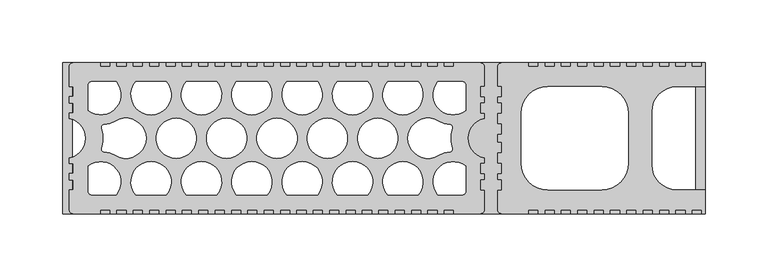
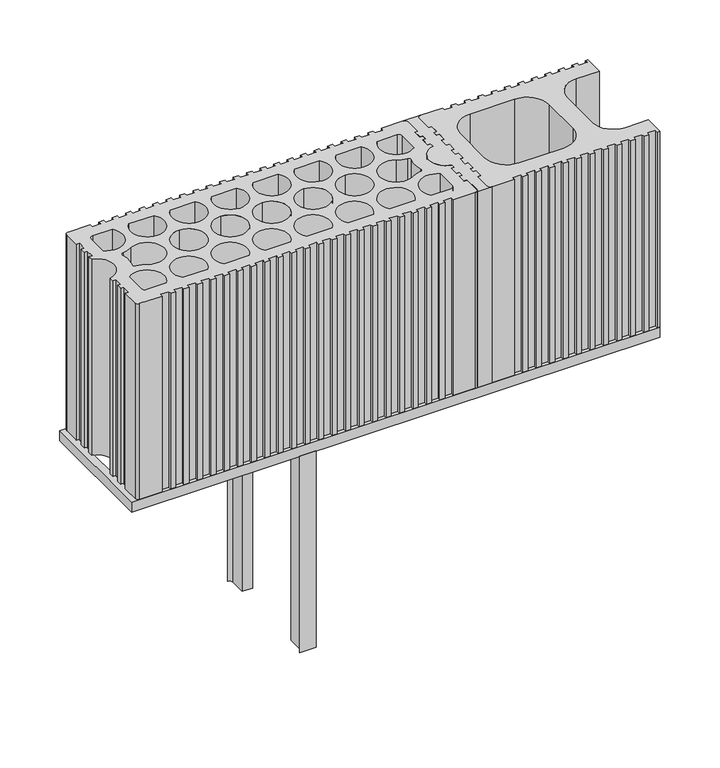
"""IFC4 building model written with IfcOpenShell, lengths in millimetres: plate geometry."""

from ifc_helpers import new_model, si_unit, point, frame, frame_2d, origin, place, context, project, spatial, polyline, circle_curve, trimmed, segment, composite_curve, outline, extrude, source, transform, mapped, element, save
from ifc_brep_helpers import plane_surface, cylinder_surface, revolved_surface, advanced_brep


def plate_d11289fc(model_context):
    return source(origin(), model_context, "Body", "SolidModel", [
        advanced_brep(
        [(79.9998381, 40.9999193, 410.0), (76.9998232, 40.9999193, 410.0), (76.9998232, 32.9999342, 410.0), (79.9998381, 32.9999342, 410.0), (79.9998381, 27.9999416, 410.0), (76.9998232, 27.9999416, 410.0), (76.9998232, 19.9999565, 410.0), (79.9998381, 19.9999565, 410.0), (79.9998381, 15.7162058, 410.0), (79.9998381, -15.7162058, 410.0), (79.9998381, -19.9999618, 410.0), (76.9998232, -19.9999618, 410.0), (76.9998232, -28.0000909, 410.0), (79.9998381, -28.0000909, 410.0), (79.9998381, -32.999934, 410.0), (76.9998232, -32.999934, 410.0), (76.9998232, -40.9999191, 410.0), (79.9998381, -40.9999191, 410.0), (79.9998381, -56.9998849, 410.0), (76.999886, -59.9998788, 410.0), (92.9997902, -59.9998788, 410.0), (89.9998381, -56.9998849, 410.0), (89.9998381, -40.9999191, 410.0), (92.999853, -40.9999191, 410.0), (92.999853, -32.999934, 410.0), (89.9998381, -32.999934, 410.0), (89.9998381, -27.9999433, 410.0), (92.999853, -27.9999433, 410.0), (92.999853, -19.9999618, 410.0), (89.9998381, -19.9999618, 410.0), (89.9998381, -11.5000363, 410.0), (92.9998478, -11.5000363, 410.0), (92.9998478, -3.5000128, 410.0), (89.9998381, -3.5000128, 410.0), (89.9998381, 3.5000128, 410.0), (92.9998478, 3.5000128, 410.0), (92.9998478, 11.50004, 410.0), (89.9998381, 11.50004, 410.0), (89.9998381, 19.9999565, 410.0), (92.999853, 19.9999565, 410.0), (92.999853, 27.9999416, 410.0), (89.9998381, 27.9999416, 410.0), (89.9998381, 32.9999342, 410.0), (92.999853, 32.9999342, 410.0), (92.999853, 40.9999193, 410.0), (89.9998381, 40.9999193, 410.0), (89.9998381, 56.9998822, 410.0), (92.9995324, 59.9998815, 410.0), (77.0001438, 59.9998815, 410.0), (79.9998381, 56.9998822, 410.0), (79.9998381, 40.9999193, 210.0), (79.9998381, 56.9998822, 210.0), (77.0001438, 59.9998815, 210.0), (92.9995324, 59.9998815, 210.0), (89.9998381, 56.9998822, 210.0), (89.9998381, 40.9999193, 210.0), (92.999853, 40.9999193, 210.0), (92.999853, 32.9999342, 210.0), (89.9998381, 32.9999342, 210.0), (89.9998381, 27.9999416, 210.0), (92.999853, 27.9999416, 210.0), (92.999853, 19.9999565, 210.0), (89.9998381, 19.9999565, 210.0), (89.9998381, 11.50004, 210.0), (92.9998478, 11.50004, 210.0), (92.9998478, 3.5000128, 210.0), (89.9998381, 3.5000128, 210.0), (89.9998381, -3.5000128, 210.0), (92.9998478, -3.5000128, 210.0), (92.9998478, -11.5000363, 210.0), (89.9998381, -11.5000363, 210.0), (89.9998381, -19.9999618, 210.0), (92.999853, -19.9999618, 210.0), (92.999853, -27.9999433, 210.0), (89.9998381, -27.9999433, 210.0), (89.9998381, -32.999934, 210.0), (92.999853, -32.999934, 210.0), (92.999853, -40.9999191, 210.0), (89.9998381, -40.9999191, 210.0), (89.9998381, -56.9998849, 210.0), (92.9997902, -59.9998788, 210.0), (76.999886, -59.9998788, 210.0), (79.9998381, -56.9998849, 210.0), (79.9998381, -40.9999191, 210.0), (76.9998232, -40.9999191, 210.0), (76.9998232, -32.999934, 210.0), (79.9998381, -32.999934, 210.0), (79.9998381, -28.0000909, 210.0), (76.9998232, -28.0000909, 210.0), (76.9998232, -19.9999618, 210.0), (79.9998381, -19.9999618, 210.0), (79.9998381, -15.7162058, 210.0), (79.9998381, 15.7162058, 210.0), (79.9998381, 19.9999565, 210.0), (76.9998232, 19.9999565, 210.0), (76.9998232, 27.9999416, 210.0), (79.9998381, 27.9999416, 210.0), (79.9998381, 32.9999342, 210.0), (76.9998232, 32.9999342, 210.0), (76.9998232, 40.9999193, 210.0)],
        [
            (0, 1),
            (1, 2),
            (2, 3),
            (3, 4),
            (4, 5),
            (5, 6),
            (6, 7),
            (7, 8),
            (8, 9, circle_curve(frame((82.9998206, 0.0, 410.0), z_axis=(0.0, 0.0, 1.0), x_axis=(0.0, 1.0, 0.0)), 15.9999693)),
            (9, 10),
            (10, 11),
            (11, 12),
            (12, 13),
            (13, 14),
            (14, 15),
            (15, 16),
            (16, 17),
            (17, 18),
            (18, 19, circle_curve(frame((77.0618703, -57.0619101, 410.0), z_axis=(0.0, 0.0, -1.0), x_axis=(0.0, 1.0, 0.0)), 2.9386225)),
            (19, 20),
            (20, 21, circle_curve(frame((92.9378059, -57.0619101, 410.0), z_axis=(0.0, 0.0, -1.0), x_axis=(0.0, 1.0, 0.0)), 2.9386225)),
            (21, 22),
            (22, 23),
            (23, 24),
            (24, 25),
            (25, 26),
            (26, 27),
            (27, 28),
            (28, 29),
            (29, 30),
            (30, 31),
            (31, 32),
            (32, 33),
            (33, 34),
            (34, 35),
            (35, 36),
            (36, 37),
            (37, 38),
            (38, 39),
            (39, 40),
            (40, 41),
            (41, 42),
            (42, 43),
            (43, 44),
            (44, 45),
            (45, 46),
            (46, 47, circle_curve(frame((92.9378059, 57.0619074, 410.0), z_axis=(0.0, 0.0, -1.0), x_axis=(0.0, 1.0, 0.0)), 2.9386225)),
            (47, 48),
            (48, 49, circle_curve(frame((77.0618703, 57.0619074, 410.0), z_axis=(0.0, 0.0, -1.0), x_axis=(0.0, 1.0, 0.0)), 2.9386225)),
            (49, 0),
            (50, 51),
            (51, 52, circle_curve(frame((77.0618703, 57.0619074, 210.0), z_axis=(0.0, 0.0, 1.0), x_axis=(0.0, 1.0, 0.0)), 2.9386225)),
            (52, 53),
            (53, 54, circle_curve(frame((92.9378059, 57.0619074, 210.0), z_axis=(0.0, 0.0, 1.0), x_axis=(0.0, 1.0, 0.0)), 2.9386225)),
            (54, 55),
            (55, 56),
            (56, 57),
            (57, 58),
            (58, 59),
            (59, 60),
            (60, 61),
            (61, 62),
            (62, 63),
            (63, 64),
            (64, 65),
            (65, 66),
            (66, 67),
            (67, 68),
            (68, 69),
            (69, 70),
            (70, 71),
            (71, 72),
            (72, 73),
            (73, 74),
            (74, 75),
            (75, 76),
            (76, 77),
            (77, 78),
            (78, 79),
            (79, 80, circle_curve(frame((92.9378059, -57.0619101, 210.0), z_axis=(0.0, 0.0, 1.0), x_axis=(0.0, 1.0, 0.0)), 2.9386225)),
            (80, 81),
            (81, 82, circle_curve(frame((77.0618703, -57.0619101, 210.0), z_axis=(0.0, 0.0, 1.0), x_axis=(0.0, 1.0, 0.0)), 2.9386225)),
            (82, 83),
            (83, 84),
            (84, 85),
            (85, 86),
            (86, 87),
            (87, 88),
            (88, 89),
            (89, 90),
            (90, 91),
            (91, 92, circle_curve(frame((82.9998206, 0.0, 210.0), z_axis=(0.0, 0.0, -1.0), x_axis=(0.0, 1.0, 0.0)), 15.9999693)),
            (92, 93),
            (93, 94),
            (94, 95),
            (95, 96),
            (96, 97),
            (97, 98),
            (98, 99),
            (99, 50),
            (49, 51),
            (50, 0),
            (47, 53),
            (52, 48),
            (45, 55),
            (54, 46),
            (21, 79),
            (78, 22),
            (19, 81),
            (80, 20),
            (17, 83),
            (82, 18),
            (44, 56),
            (43, 57),
            (42, 58),
            (41, 59),
            (40, 60),
            (39, 61),
            (38, 62),
            (37, 63),
            (29, 71),
            (70, 30),
            (28, 72),
            (27, 73),
            (26, 74),
            (25, 75),
            (24, 76),
            (23, 77),
            (16, 84),
            (15, 85),
            (14, 86),
            (13, 87),
            (12, 88),
            (11, 89),
            (10, 90),
            (9, 91),
            (8, 92),
            (7, 93),
            (6, 94),
            (5, 95),
            (4, 96),
            (3, 97),
            (2, 98),
            (1, 99),
            (36, 64),
            (35, 65),
            (34, 66),
            (33, 67),
            (32, 68),
            (31, 69),
        ],
        [
            plane_surface(frame((79.9998381, 40.9999193, 410.0), z_axis=(0.0, 0.0, 1.0), x_axis=(-1.0, 0.0, 0.0))),
            plane_surface(frame((79.9998381, 40.9999193, 210.0), z_axis=(0.0, 0.0, -1.0), x_axis=(1.0, 0.0, 0.0))),
            plane_surface(frame((79.9998381, 56.9998822, 410.0), z_axis=(-1.0, 0.0, 0.0), x_axis=(0.0, 0.0, -1.0))),
            plane_surface(frame((92.9995324, 59.9998815, 410.0), z_axis=(0.0, 1.0, 0.0), x_axis=(0.0, 0.0, -1.0))),
            plane_surface(frame((89.9998381, 40.9999193, 410.0), z_axis=(1.0, 0.0, 0.0), x_axis=(0.0, 0.0, -1.0))),
            plane_surface(frame((89.9998381, -56.9998849, 410.0), z_axis=(1.0, 0.0, 0.0), x_axis=(0.0, 0.0, -1.0))),
            plane_surface(frame((76.999886, -59.9998788, 410.0), z_axis=(0.0, -1.0, 0.0), x_axis=(0.0, 0.0, -1.0))),
            plane_surface(frame((79.9998381, -40.9999191, 410.0), z_axis=(-1.0, 0.0, 0.0), x_axis=(0.0, 0.0, -1.0))),
            revolved_surface(polyline([(77.0618703, 60.000529900000004, 210.0), (77.0618703, 60.000529900000004, 410.0)]), (77.0618703, 57.0619074, 210.0), (0.0, 0.0, -1.0)),
            revolved_surface(polyline([(92.9378059, 60.000529900000004, 210.0), (92.9378059, 60.000529900000004, 410.0)]), (92.9378059, 57.0619074, 210.0), (0.0, 0.0, -1.0)),
            revolved_surface(polyline([(92.9378059, -54.1232876, 210.0), (92.9378059, -54.1232876, 410.0)]), (92.9378059, -57.0619101, 210.0), (0.0, 0.0, -1.0)),
            revolved_surface(polyline([(77.0618703, -54.1232876, 210.0), (77.0618703, -54.1232876, 410.0)]), (77.0618703, -57.0619101, 210.0), (0.0, 0.0, -1.0)),
            plane_surface(frame((92.999853, 40.9999193, 410.0), z_axis=(0.0, 1.0, 0.0), x_axis=(0.0, 0.0, -1.0))),
            plane_surface(frame((92.999853, 32.9999342, 410.0), z_axis=(1.0, 0.0, 0.0), x_axis=(0.0, 0.0, -1.0))),
            plane_surface(frame((89.9998381, 32.9999342, 410.0), z_axis=(0.0, -1.0, 0.0), x_axis=(0.0, 0.0, -1.0))),
            plane_surface(frame((89.9998381, 27.9999416, 410.0), z_axis=(1.0, 0.0, 0.0), x_axis=(0.0, 0.0, -1.0))),
            plane_surface(frame((92.999853, 27.9999416, 410.0), z_axis=(0.0, 1.0, 0.0), x_axis=(0.0, 0.0, -1.0))),
            plane_surface(frame((92.999853, 19.9999565, 410.0), z_axis=(1.0, 0.0, 0.0), x_axis=(0.0, 0.0, -1.0))),
            plane_surface(frame((89.9998381, 19.9999565, 410.0), z_axis=(0.0, -1.0, 0.0), x_axis=(0.0, 0.0, -1.0))),
            plane_surface(frame((89.9998381, 11.50004, 410.0), z_axis=(1.0, 0.0, 0.0), x_axis=(0.0, 0.0, -1.0))),
            plane_surface(frame((89.9998381, -19.9999618, 410.0), z_axis=(1.0, 0.0, 0.0), x_axis=(0.0, 0.0, -1.0))),
            plane_surface(frame((92.999853, -19.9999618, 410.0), z_axis=(0.0, 1.0, 0.0), x_axis=(0.0, 0.0, -1.0))),
            plane_surface(frame((92.999853, -27.9999433, 410.0), z_axis=(1.0, 0.0, 0.0), x_axis=(0.0, 0.0, -1.0))),
            plane_surface(frame((89.9998381, -27.9999433, 410.0), z_axis=(0.0, -1.0, 0.0), x_axis=(0.0, 0.0, -1.0))),
            plane_surface(frame((89.9998381, -32.999934, 410.0), z_axis=(1.0, 0.0, 0.0), x_axis=(0.0, 0.0, -1.0))),
            plane_surface(frame((92.999853, -32.999934, 410.0), z_axis=(0.0, 1.0, 0.0), x_axis=(0.0, 0.0, -1.0))),
            plane_surface(frame((92.999853, -40.9999191, 410.0), z_axis=(1.0, 0.0, 0.0), x_axis=(0.0, 0.0, -1.0))),
            plane_surface(frame((89.9998381, -40.9999191, 410.0), z_axis=(0.0, -1.0, 0.0), x_axis=(0.0, 0.0, -1.0))),
            plane_surface(frame((76.9998232, -40.9999191, 410.0), z_axis=(0.0, -1.0, 0.0), x_axis=(0.0, 0.0, -1.0))),
            plane_surface(frame((76.9998232, -32.999934, 410.0), z_axis=(-1.0, 0.0, 0.0), x_axis=(0.0, 0.0, -1.0))),
            plane_surface(frame((79.9998381, -32.999934, 410.0), z_axis=(0.0, 1.0, 0.0), x_axis=(0.0, 0.0, -1.0))),
            plane_surface(frame((79.9998381, -28.0000909, 410.0), z_axis=(-1.0, 0.0, 0.0), x_axis=(0.0, 0.0, -1.0))),
            plane_surface(frame((76.9998232, -28.0000909, 410.0), z_axis=(0.0, -1.0, 0.0), x_axis=(0.0, 0.0, -1.0))),
            plane_surface(frame((76.9998232, -19.9999618, 410.0), z_axis=(-1.0, 0.0, 0.0), x_axis=(0.0, 0.0, -1.0))),
            plane_surface(frame((79.9998381, -19.9999618, 410.0), z_axis=(0.0, 1.0, 0.0), x_axis=(0.0, 0.0, -1.0))),
            plane_surface(frame((79.9998381, -15.7162058, 410.0), z_axis=(-1.0, 0.0, 0.0), x_axis=(0.0, 0.0, -1.0))),
            cylinder_surface(frame((82.9998206, 0.0, 210.0), z_axis=(0.0, 0.0, 1.0), x_axis=(0.0, 1.0, 0.0)), 15.9999693),
            plane_surface(frame((79.9998381, 19.9999565, 410.0), z_axis=(-1.0, 0.0, 0.0), x_axis=(0.0, 0.0, -1.0))),
            plane_surface(frame((76.9998232, 19.9999565, 410.0), z_axis=(0.0, -1.0, 0.0), x_axis=(0.0, 0.0, -1.0))),
            plane_surface(frame((76.9998232, 27.9999416, 410.0), z_axis=(-1.0, 0.0, 0.0), x_axis=(0.0, 0.0, -1.0))),
            plane_surface(frame((79.9998381, 27.9999416, 410.0), z_axis=(0.0, 1.0, 0.0), x_axis=(0.0, 0.0, -1.0))),
            plane_surface(frame((79.9998381, 32.9999342, 410.0), z_axis=(-1.0, 0.0, 0.0), x_axis=(0.0, 0.0, -1.0))),
            plane_surface(frame((76.9998232, 32.9999342, 410.0), z_axis=(0.0, -1.0, 0.0), x_axis=(0.0, 0.0, -1.0))),
            plane_surface(frame((76.9998232, 40.9999193, 410.0), z_axis=(-1.0, 0.0, 0.0), x_axis=(0.0, 0.0, -1.0))),
            plane_surface(frame((79.9998381, 40.9999193, 410.0), z_axis=(0.0, 1.0, 0.0), x_axis=(0.0, 0.0, -1.0))),
            plane_surface(frame((92.9998478, 11.50004, 410.0), z_axis=(0.0, 1.0, 0.0), x_axis=(0.0, 0.0, -1.0))),
            plane_surface(frame((92.9998478, 3.5000128, 410.0), z_axis=(1.0, 0.0, 0.0), x_axis=(0.0, 0.0, -1.0))),
            plane_surface(frame((89.9998381, 3.5000128, 410.0), z_axis=(0.0, -1.0, 0.0), x_axis=(0.0, 0.0, -1.0))),
            plane_surface(frame((89.9998381, -3.5000128, 410.0), z_axis=(1.0, 0.0, 0.0), x_axis=(0.0, 0.0, -1.0))),
            plane_surface(frame((92.9998478, -3.5000128, 410.0), z_axis=(0.0, 1.0, 0.0), x_axis=(0.0, 0.0, -1.0))),
            plane_surface(frame((92.9998478, -11.5000363, 410.0), z_axis=(1.0, 0.0, 0.0), x_axis=(0.0, 0.0, -1.0))),
            plane_surface(frame((89.9998381, -11.5000363, 410.0), z_axis=(0.0, -1.0, 0.0), x_axis=(0.0, 0.0, -1.0))),
        ],
        [
            (0, [[1, 2, 3, 4, 5, 6, 7, 8, 9, 10, 11, 12, 13, 14, 15, 16, 17, 18, 19, 20, 21, 22, 23, 24, 25, 26, 27, 28, 29, 30, 31, 32, 33, 34, 35, 36, 37, 38, 39, 40, 41, 42, 43, 44, 45, 46, 47, 48, 49, 50]]),
            (1, [[51, 52, 53, 54, 55, 56, 57, 58, 59, 60, 61, 62, 63, 64, 65, 66, 67, 68, 69, 70, 71, 72, 73, 74, 75, 76, 77, 78, 79, 80, 81, 82, 83, 84, 85, 86, 87, 88, 89, 90, 91, 92, 93, 94, 95, 96, 97, 98, 99, 100]]),
            (2, [[-50, 101, -51, 102]]),
            (3, [[-48, 103, -53, 104]]),
            (4, [[-46, 105, -55, 106]]),
            (5, [[-22, 107, -79, 108]]),
            (6, [[-20, 109, -81, 110]]),
            (7, [[-18, 111, -83, 112]]),
            (8, [[-49, -104, -52, -101]]),
            (9, [[-47, -106, -54, -103]]),
            (10, [[-21, -110, -80, -107]]),
            (11, [[-19, -112, -82, -109]]),
            (12, [[-45, 113, -56, -105]]),
            (13, [[-44, 114, -57, -113]]),
            (14, [[-43, 115, -58, -114]]),
            (15, [[-42, 116, -59, -115]]),
            (16, [[-41, 117, -60, -116]]),
            (17, [[-40, 118, -61, -117]]),
            (18, [[-39, 119, -62, -118]]),
            (19, [[-38, 120, -63, -119]]),
            (20, [[-30, 121, -71, 122]]),
            (21, [[-29, 123, -72, -121]]),
            (22, [[-28, 124, -73, -123]]),
            (23, [[-27, 125, -74, -124]]),
            (24, [[-26, 126, -75, -125]]),
            (25, [[-25, 127, -76, -126]]),
            (26, [[-24, 128, -77, -127]]),
            (27, [[-23, -108, -78, -128]]),
            (28, [[-17, 129, -84, -111]]),
            (29, [[-16, 130, -85, -129]]),
            (30, [[-15, 131, -86, -130]]),
            (31, [[-14, 132, -87, -131]]),
            (32, [[-13, 133, -88, -132]]),
            (33, [[-12, 134, -89, -133]]),
            (34, [[-11, 135, -90, -134]]),
            (35, [[-10, 136, -91, -135]]),
            (36, [[-9, 137, -92, -136]]),
            (37, [[-8, 138, -93, -137]]),
            (38, [[-7, 139, -94, -138]]),
            (39, [[-6, 140, -95, -139]]),
            (40, [[-5, 141, -96, -140]]),
            (41, [[-4, 142, -97, -141]]),
            (42, [[-3, 143, -98, -142]]),
            (43, [[-2, 144, -99, -143]]),
            (44, [[-1, -102, -100, -144]]),
            (45, [[-37, 145, -64, -120]]),
            (46, [[-36, 146, -65, -145]]),
            (47, [[-35, 147, -66, -146]]),
            (48, [[-34, 148, -67, -147]]),
            (49, [[-33, 149, -68, -148]]),
            (50, [[-32, 150, -69, -149]]),
            (51, [[-31, -122, -70, -150]]),
        ],
    ),
        advanced_brep(
        [(-89.9998399, -40.9999178, 200.0), (-89.9998399, -56.9998835, 200.0), (-92.9997277, -59.9998788, 200.0), (-76.9999521, -59.9998788, 200.0), (-79.9998399, -56.9998835, 200.0), (-79.9998399, -40.9999178, 200.0), (-89.9998399, -40.9999178, 0.0), (-79.9998399, -40.9999178, 0.0), (-79.9998399, -56.9998835, 0.0), (-76.9999521, -59.9998788, 0.0), (-92.9997277, -59.9998788, 0.0), (-89.9998399, -56.9998835, 0.0)],
        [
            (0, 1),
            (1, 2, circle_curve(frame((-92.9378077, -57.0619088, 200.0), z_axis=(0.0, 0.0, -1.0), x_axis=(1.0, 0.0, 0.0)), 2.9386225)),
            (2, 3),
            (3, 4, circle_curve(frame((-77.0618721, -57.0619088, 200.0), z_axis=(0.0, 0.0, -1.0), x_axis=(1.0, 0.0, 0.0)), 2.9386225)),
            (4, 5),
            (5, 0),
            (6, 7),
            (7, 8),
            (8, 9, circle_curve(frame((-77.0618721, -57.0619088, 0.0), z_axis=(0.0, 0.0, 1.0), x_axis=(1.0, 0.0, 0.0)), 2.9386225)),
            (9, 10),
            (10, 11, circle_curve(frame((-92.9378077, -57.0619088, 0.0), z_axis=(0.0, 0.0, 1.0), x_axis=(1.0, 0.0, 0.0)), 2.9386225)),
            (11, 6),
            (0, 6),
            (11, 1),
            (10, 2),
            (9, 3),
            (8, 4),
            (7, 5),
        ],
        [
            plane_surface(frame((-89.9998399, -56.9998835, 200.0), z_axis=(0.0, 0.0, 1.0), x_axis=(0.0, -1.0, 0.0))),
            plane_surface(frame((-89.9998399, -56.9998835, 0.0), z_axis=(0.0, 0.0, -1.0), x_axis=(0.0, 1.0, 0.0))),
            plane_surface(frame((-89.9998399, -40.9999178, 200.0), z_axis=(-1.0, 0.0, 0.0), x_axis=(0.0, 0.0, -1.0))),
            revolved_surface(polyline([(-89.9991852, -57.0619088, 0.0), (-89.9991852, -57.0619088, 200.0)]), (-92.9378077, -57.0619088, 0.0), (0.0, 0.0, -1.0)),
            plane_surface(frame((-92.9997277, -59.9998788, 200.0), z_axis=(0.0, -1.0, 0.0), x_axis=(0.0, 0.0, -1.0))),
            revolved_surface(polyline([(-74.12324960000001, -57.0619088, 0.0), (-74.12324960000001, -57.0619088, 200.0)]), (-77.0618721, -57.0619088, 0.0), (0.0, 0.0, -1.0)),
            plane_surface(frame((-79.9998399, -56.9998835, 200.0), z_axis=(1.0, 0.0, 0.0), x_axis=(0.0, 0.0, -1.0))),
            plane_surface(frame((-79.9998399, -40.9999178, 200.0), z_axis=(0.0, 1.0, 0.0), x_axis=(0.0, 0.0, -1.0))),
        ],
        [
            (0, [[1, 2, 3, 4, 5, 6]]),
            (1, [[7, 8, 9, 10, 11, 12]]),
            (2, [[-1, 13, -12, 14]]),
            (3, [[-2, -14, -11, 15]]),
            (4, [[-3, -15, -10, 16]]),
            (5, [[-4, -16, -9, 17]]),
            (6, [[-5, -17, -8, 18]]),
            (7, [[-6, -18, -7, -13]]),
        ],
    ),
        advanced_brep(
        [(-79.9998399, 40.9999207, 200.0), (-79.9998399, 56.9998835, 200.0), (-76.999825, 59.9998761, 200.0), (-92.9998548, 59.9998761, 200.0), (-89.9998399, 56.9998835, 200.0), (-89.9998399, 40.9999207, 200.0), (-79.9998399, 40.9999207, 0.0), (-89.9998399, 40.9999207, 0.0), (-89.9998399, 56.9998835, 0.0), (-92.9998548, 59.9998761, 0.0), (-76.999825, 59.9998761, 0.0), (-79.9998399, 56.9998835, 0.0)],
        [
            (0, 1),
            (1, 2, circle_curve(frame((-77.0618721, 57.0619088, 200.0), z_axis=(0.0, 0.0, -1.0), x_axis=(1.0, 0.0, 0.0)), 2.9386225)),
            (2, 3),
            (3, 4, circle_curve(frame((-92.9378077, 57.0619088, 200.0), z_axis=(0.0, 0.0, -1.0), x_axis=(1.0, 0.0, 0.0)), 2.9386225)),
            (4, 5),
            (5, 0),
            (6, 7),
            (7, 8),
            (8, 9, circle_curve(frame((-92.9378077, 57.0619088, 0.0), z_axis=(0.0, 0.0, 1.0), x_axis=(1.0, 0.0, 0.0)), 2.9386225)),
            (9, 10),
            (10, 11, circle_curve(frame((-77.0618721, 57.0619088, 0.0), z_axis=(0.0, 0.0, 1.0), x_axis=(1.0, 0.0, 0.0)), 2.9386225)),
            (11, 6),
            (0, 6),
            (11, 1),
            (10, 2),
            (9, 3),
            (8, 4),
            (7, 5),
        ],
        [
            plane_surface(frame((-89.9998399, -56.9998835, 200.0), z_axis=(0.0, 0.0, 1.0), x_axis=(0.0, -1.0, 0.0))),
            plane_surface(frame((-89.9998399, -56.9998835, 0.0), z_axis=(0.0, 0.0, -1.0), x_axis=(0.0, 1.0, 0.0))),
            plane_surface(frame((-79.9998399, 40.9999207, 200.0), z_axis=(1.0, 0.0, 0.0), x_axis=(0.0, 0.0, -1.0))),
            revolved_surface(polyline([(-74.12324960000001, 57.0619088, 0.0), (-74.12324960000001, 57.0619088, 200.0)]), (-77.0618721, 57.0619088, 0.0), (0.0, 0.0, -1.0)),
            plane_surface(frame((-76.999825, 59.9998761, 200.0), z_axis=(0.0, 1.0, 0.0), x_axis=(0.0, 0.0, -1.0))),
            revolved_surface(polyline([(-89.9991852, 57.0619088, 0.0), (-89.9991852, 57.0619088, 200.0)]), (-92.9378077, 57.0619088, 0.0), (0.0, 0.0, -1.0)),
            plane_surface(frame((-89.9998399, 56.9998835, 200.0), z_axis=(-1.0, 0.0, 0.0), x_axis=(0.0, 0.0, -1.0))),
            plane_surface(frame((-89.9998399, 40.9999207, 200.0), z_axis=(0.0, -1.0, 0.0), x_axis=(0.0, 0.0, -1.0))),
        ],
        [
            (0, [[1, 2, 3, 4, 5, 6]]),
            (1, [[7, 8, 9, 10, 11, 12]]),
            (2, [[-1, 13, -12, 14]]),
            (3, [[-2, -14, -11, 15]]),
            (4, [[-3, -15, -10, 16]]),
            (5, [[-4, -16, -9, 17]]),
            (6, [[-5, -17, -8, 18]]),
            (7, [[-6, -18, -7, -13]]),
        ],
    ),
        extrude(outline(polyline([(-254.9995197, 59.9998801), (254.9995197, 59.9998801), (254.9995197, -59.9998788), (-254.9995197, -59.9998788), (-254.9995197, 59.9998801)]), holes=[polyline([(247.1934492, 44.9999121), (-247.1934394, 44.9999121), (-247.1934394, -44.9999108), (247.1934492, -44.9999108), (247.1934492, 44.9999121)])]), frame((0.0, 0.0, 200.0), z_axis=(0.0, 0.0, 1.0), x_axis=(1.0, 0.0, 0.0)), (0.0, 0.0, 1.0), 10.0),
        extrude(outline(composite_curve([segment(polyline([(114.4999184, -60.0001945), (92.9998496, -60.0001945)]), True, "CONTINUOUS"), segment(trimmed(circle_curve(frame_2d((92.9998496, -57.0001848)), 3.0000097), [point((92.9998496, -60.0001945))], [point((89.9998399, -57.0001848))], False, "CARTESIAN"), True, "CONTINUOUS"), segment(polyline([(89.9998399, -57.0001848), (89.9998399, -41.0001337), (92.9998496, -41.0001337), (92.9998496, -33.0001065), (89.9998399, -33.0001065), (89.9998399, -28.0000895), (92.9998496, -28.0000895), (92.9998496, -20.0000661), (89.9998399, -20.0000661), (89.9998399, -11.5000363), (92.9998496, -11.5000363), (92.9998496, -3.5000128), (89.9998399, -3.5000128), (89.9998399, 3.5000128), (92.9998496, 3.5000128), (92.9998496, 11.50004), (89.9998399, 11.50004), (89.9998399, 20.0000623), (92.9998496, 20.0000623), (92.9998496, 28.0000895), (89.9998399, 28.0000895), (89.9998399, 33.0001084), (92.9998496, 33.0001084), (92.9998496, 41.0001355), (89.9998399, 41.0001355), (89.9998399, 57.0001856)]), True, "CONTINUOUS"), segment(trimmed(circle_curve(frame_2d((92.999845, 57.0001856)), 3.0000051), [point((89.9998399, 57.0001856))], [point((92.999845, 60.0001907))], False, "CARTESIAN"), True, "CONTINUOUS"), segment(polyline([(92.999845, 60.0001907), (114.4999184, 60.0001907), (114.4999184, 57.000181), (122.4999437, 57.000181), (122.4999437, 60.0001907), (127.4999626, 60.0001907), (127.4999626, 57.000181), (135.499986, 57.000181), (135.499986, 60.0001907), (140.5000049, 60.0001907), (140.5000049, 57.000181), (148.5000283, 57.000181), (148.5000283, 60.0001907), (153.5000472, 60.0001907), (153.5000472, 57.000181), (161.5000743, 57.000181), (161.5000743, 60.0001907), (166.5000857, 60.0001907), (166.5000857, 57.000181), (174.5001129, 57.000181), (174.5001129, 60.0001907), (179.5001317, 60.0001907), (179.5001317, 57.000181), (187.5001515, 57.000181), (187.5001515, 60.0001907), (192.5001703, 60.0001907), (192.5001703, 57.000181), (200.5001975, 57.000181), (200.5001975, 60.0001907), (205.5002163, 60.0001907), (205.5002163, 57.000181), (213.500236, 57.000181), (213.500236, 60.0001907), (218.5002549, 60.0001907), (218.5002549, 57.000181), (226.5002821, 57.000181), (226.5002821, 60.0001907), (231.5002935, 60.0001907), (231.5002935, 57.000181), (239.5003206, 57.000181), (239.5003206, 60.0001907), (244.500332, 60.0001907), (244.500332, 57.000181), (252.5003592, 57.000181), (252.5003592, 60.0001907), (255.0003723, 60.0001907), (255.0003723, 41.0001907), (232.5002648, 41.0001907)]), True, "CONTINUOUS"), segment(trimmed(circle_curve(frame_2d((232.5002648, 21.000126)), 20.0000648), [point((232.5002648, 41.0001907))], [point((212.5002, 21.000126))], True, "CARTESIAN"), True, "CONTINUOUS"), segment(polyline([(212.5002, 21.000126), (212.5002, -21.0001297)]), True, "CONTINUOUS"), segment(trimmed(circle_curve(frame_2d((232.5002648, -21.0001297)), 20.0000648), [point((212.5002, -21.0001297))], [point((232.5002648, -41.0001945))], True, "CARTESIAN"), True, "CONTINUOUS"), segment(polyline([(232.5002648, -41.0001945), (255.0003761, -41.0001945), (255.0003761, -60.0001945), (252.5003592, -60.0001945), (252.5003592, -57.0001847), (244.500332, -57.0001847), (244.500332, -60.0001945), (239.5003206, -60.0001945), (239.5003206, -57.0001847), (231.5002935, -57.0001847), (231.5002935, -60.0001945), (226.5002821, -60.0001945), (226.5002821, -57.0001847), (218.5002549, -57.0001847), (218.5002549, -60.0001945), (213.500236, -60.0001945), (213.500236, -57.0001847), (205.5002163, -57.0001847), (205.5002163, -60.0001945), (200.5001975, -60.0001945), (200.5001975, -57.0001847), (192.5001703, -57.0001847), (192.5001703, -60.0001945), (187.5001515, -60.0001945), (187.5001515, -57.0001847), (179.5001317, -57.0001847), (179.5001317, -60.0001945), (174.5001129, -60.0001945), (174.5001129, -57.0001847), (166.5000857, -57.0001847), (166.5000857, -60.0001945), (161.5000743, -60.0001945), (161.5000743, -57.0001847), (153.5000472, -57.0001847), (153.5000472, -60.0001945), (148.5000283, -60.0001945), (148.5000283, -57.0001847), (140.5000049, -57.0001847), (140.5000049, -60.0001945), (135.499986, -60.0001945), (135.499986, -57.0001847), (127.4999626, -57.0001847), (127.4999626, -60.0001945), (122.4999437, -60.0001945), (122.4999437, -57.0001847), (114.4999184, -57.0001847), (114.4999184, -60.0001945)]), True, "CONTINUOUS")], self_intersect=False), holes=[composite_curve([segment(trimmed(circle_curve(frame_2d((129.9998399, -20.0001945)), 21.0), [point((108.9998399, -20.0001945))], [point((129.9998399, -41.0001945))], True, "CARTESIAN"), True, "CONTINUOUS"), segment(polyline([(129.9998399, -41.0001945), (173.000192, -41.0001945)]), True, "CONTINUOUS"), segment(trimmed(circle_curve(frame_2d((173.000192, -20.0001945)), 21.0), [point((173.000192, -41.0001945))], [point((194.000192, -20.0001945))], True, "CARTESIAN"), True, "CONTINUOUS"), segment(polyline([(194.000192, -20.0001945), (194.000192, 20.0001907)]), True, "CONTINUOUS"), segment(trimmed(circle_curve(frame_2d((173.000192, 20.0001907)), 21.0), [point((194.000192, 20.0001907))], [point((173.000192, 41.0001907))], True, "CARTESIAN"), True, "CONTINUOUS"), segment(polyline([(173.000192, 41.0001907), (129.9998399, 41.0001907)]), True, "CONTINUOUS"), segment(trimmed(circle_curve(frame_2d((129.9998399, 20.0001907)), 21.0), [point((129.9998399, 41.0001907))], [point((108.9998399, 20.0001907))], True, "CARTESIAN"), True, "CONTINUOUS"), segment(polyline([(108.9998399, 20.0001907), (108.9998399, -20.0001945)]), True, "CONTINUOUS")], self_intersect=False)]), frame((0.0, 0.0, 210.0), z_axis=(0.0, 0.0, 1.0), x_axis=(1.0, 0.0, 0.0)), (0.0, 0.0, 1.0), 200.0),
        extrude(outline(composite_curve([segment(trimmed(circle_curve(frame_2d((-247.0615536, -57.0619101)), 2.9386225), [point((-246.9996337, -59.9998801))], [point((-249.9995215, -56.9998849))], False, "CARTESIAN"), True, "CONTINUOUS"), segment(polyline([(-249.9995215, -56.9998849), (-249.9995215, -40.9999191), (-246.9995065, -40.9999191), (-246.9995065, -32.999934), (-249.9995215, -32.999934), (-249.9995215, -28.0000909), (-246.9995065, -28.0000909), (-246.9995065, -19.9999618), (-249.9995215, -19.9999618), (-249.9995215, -15.7162058)]), True, "CONTINUOUS"), segment(trimmed(circle_curve(frame_2d((-252.9995039, 0.0)), 15.9999693), [point((-249.9995215, -15.7162058))], [point((-249.9995215, 15.7162058))], True, "CARTESIAN"), True, "CONTINUOUS"), segment(polyline([(-249.9995215, 15.7162058), (-249.9995215, 19.9999565), (-246.9995065, 19.9999565), (-246.9995065, 27.9999416), (-249.9995215, 27.9999416), (-249.9995215, 32.9999342), (-246.9995065, 32.9999342), (-246.9995065, 40.9999193), (-249.9995215, 40.9999193), (-249.9995215, 56.9998822)]), True, "CONTINUOUS"), segment(trimmed(circle_curve(frame_2d((-247.0615536, 57.0619074)), 2.9386225), [point((-249.9995215, 56.9998822))], [point((-246.9995065, 59.9998747))], False, "CARTESIAN"), True, "CONTINUOUS"), segment(polyline([(-246.9995065, 59.9998747), (-225.4995585, 59.9998747), (-225.4995585, 56.9998862), (-217.4995752, 56.9998862), (-217.4995752, 59.9998801), (-212.4995826, 59.9998801), (-212.4995826, 56.9998862), (-204.4996012, 56.9998862), (-204.4996012, 59.9998801), (-199.4996086, 59.9998801), (-199.4996086, 56.9998862), (-191.4996272, 56.9998862), (-191.4996272, 59.9998801), (-186.4996346, 59.9998801), (-186.4996346, 56.9998862), (-178.4996495, 56.9998862), (-178.4996495, 59.9998801), (-173.4996643, 59.9998801), (-173.4996643, 56.9998862), (-165.4996792, 56.9998862), (-165.4996792, 59.9998801), (-160.4996866, 59.9998801), (-160.4996866, 56.9998862), (-152.4997089, 56.9998862), (-152.4997089, 59.9998801), (-147.4997163, 59.9998801), (-147.4997163, 56.9998862), (-139.4997312, 56.9998862), (-139.4997312, 59.9998801), (-134.4997386, 59.9998801), (-134.4997386, 56.9998862), (-126.4997609, 56.9998862), (-126.4997609, 59.9998801), (-121.4997683, 59.9998801), (-121.4997683, 56.9998862), (-113.4997831, 56.9998862), (-113.4997831, 59.9998801), (-108.499798, 59.9998801), (-108.499798, 56.9998862), (-100.4998129, 56.9998862), (-100.4998129, 59.9998801), (-95.4998277, 59.9998801), (-95.4998277, 56.9998862), (-87.4998426, 56.9998862), (-87.4998426, 59.9998801), (-82.4998426, 59.9998801), (-82.4998426, 56.9998862), (-74.4998574, 56.9998862), (-74.4998574, 59.9998801), (-69.4998723, 59.9998801), (-69.4998723, 56.9998862), (-61.4998871, 56.9998862), (-61.4998871, 59.9998801), (-56.499902, 59.9998801), (-56.499902, 56.9998862), (-48.4999168, 56.9998862), (-48.4999168, 59.9998801), (-43.4999317, 59.9998801), (-43.4999317, 56.9998862), (-35.4999466, 56.9998862), (-35.4999466, 59.9998801), (-30.4999465, 59.9998801), (-30.4999465, 56.9998862), (-22.4999614, 56.9998862), (-22.4999614, 59.9998801), (-17.4999763, 59.9998801), (-17.4999763, 56.9998862), (-9.4999911, 56.9998862), (-9.4999911, 59.9998801), (-4.500006, 59.9998801), (-4.500006, 56.9998862), (3.4999941, 56.9998862), (3.4999941, 59.9998801), (8.4999792, 59.9998801), (8.4999792, 56.9998862), (16.4999495, 56.9998862), (16.4999495, 59.9998801), (21.4999346, 59.9998801), (21.4999346, 56.9998862), (29.4999346, 56.9998862), (29.4999346, 59.9998801), (34.4999198, 59.9998801), (34.4999198, 56.9998862), (42.49989, 56.9998862), (42.49989, 59.9998801), (47.499905, 59.9998801), (47.499905, 56.9998862), (55.4998752, 56.9998862), (55.4998752, 59.9998747), (76.9998232, 59.9998747)]), True, "CONTINUOUS"), segment(trimmed(circle_curve(frame_2d((77.0618703, 57.0619074)), 2.9386225), [point((76.9998232, 59.9998747))], [point((79.9998381, 56.9998822))], False, "CARTESIAN"), True, "CONTINUOUS"), segment(polyline([(79.9998381, 56.9998822), (79.9998381, 40.9999193), (76.9998232, 40.9999193), (76.9998232, 32.9999342), (79.9998381, 32.9999342), (79.9998381, 27.9999416), (76.9998232, 27.9999416), (76.9998232, 19.9999565), (79.9998381, 19.9999565), (79.9998381, 15.7162058)]), True, "CONTINUOUS"), segment(trimmed(circle_curve(frame_2d((82.9998206, 0.0)), 15.9999693), [point((79.9998381, 15.7162058))], [point((79.9998381, -15.7162058))], True, "CARTESIAN"), True, "CONTINUOUS"), segment(polyline([(79.9998381, -15.7162058), (79.9998381, -19.9999618), (76.9998232, -19.9999618), (76.9998232, -27.9999433), (79.9998381, -27.9999433), (79.9998381, -32.999934), (76.9998232, -32.999934), (76.9998232, -40.9999191), (79.9998381, -40.9999191), (79.9998381, -56.9998849)]), True, "CONTINUOUS"), segment(trimmed(circle_curve(frame_2d((77.0618703, -57.0619101)), 2.9386225), [point((79.9998381, -56.9998849))], [point((76.9999503, -59.9998801))], False, "CARTESIAN"), True, "CONTINUOUS"), segment(polyline([(76.9999503, -59.9998801), (55.4998752, -59.9998801), (55.4998752, -56.9998862), (47.499905, -56.9998862), (47.499905, -59.9998801), (42.49989, -59.9998801), (42.49989, -56.9998862), (34.4999198, -56.9998862), (34.4999198, -59.9998801), (29.4999346, -59.9998801), (29.4999346, -56.9998862), (21.4999346, -56.9998862), (21.4999346, -59.9998801), (16.4999495, -59.9998801), (16.4999495, -56.9998862), (8.4999792, -56.9998862), (8.4999792, -59.9998801), (3.4999941, -59.9998801), (3.4999941, -56.9998862), (-4.500006, -56.9998862), (-4.500006, -59.9998801), (-9.4999911, -59.9998801), (-9.4999911, -56.9998862), (-17.4999763, -56.9998862), (-17.4999763, -59.9998801), (-22.4999614, -59.9998801), (-22.4999614, -56.9998862), (-30.4999465, -56.9998862), (-30.4999465, -59.9998801), (-35.4999466, -59.9998801), (-35.4999466, -56.9998862), (-43.4999317, -56.9998862), (-43.4999317, -59.9998801), (-48.4999168, -59.9998801), (-48.4999168, -56.9998862), (-56.499902, -56.9998862), (-56.499902, -59.9998801), (-61.4998871, -59.9998801), (-61.4998871, -56.9998862), (-69.4998723, -56.9998862), (-69.4998723, -59.9998801), (-74.4998574, -59.9998801), (-74.4998574, -56.9998862), (-82.4998426, -56.9998862), (-82.4998426, -59.9998801), (-87.4998426, -59.9998801), (-87.4998426, -56.9998862), (-95.4998277, -56.9998862), (-95.4998277, -59.9998801), (-100.4998129, -59.9998801), (-100.4998129, -56.9998862), (-108.499798, -56.9998862), (-108.499798, -59.9998801), (-113.4997831, -59.9998801), (-113.4997831, -56.9998862), (-121.4997683, -56.9998862), (-121.4997683, -59.9998801), (-126.4997609, -59.9998801), (-126.4997609, -56.9998862), (-134.4997386, -56.9998862), (-134.4997386, -59.9998801), (-139.4997312, -59.9998801), (-139.4997312, -56.9998862), (-147.4997163, -56.9998862), (-147.4997163, -59.9998801), (-152.4997089, -59.9998801), (-152.4997089, -56.9998862), (-160.4996866, -56.9998862), (-160.4996866, -59.9998801), (-165.4996792, -59.9998801), (-165.4996792, -56.9998862), (-173.4996643, -56.9998862), (-173.4996643, -59.9998801), (-178.4996495, -59.9998801), (-178.4996495, -56.9998862), (-186.4996346, -56.9998862), (-186.4996346, -59.9998801), (-191.4996272, -59.9998801), (-191.4996272, -56.9998862), (-199.4996086, -56.9998862), (-199.4996086, -59.9998801), (-204.4996012, -59.9998801), (-204.4996012, -56.9998862), (-212.4995826, -56.9998862), (-212.4995826, -59.9998801), (-217.4995752, -59.9998801), (-217.4995752, -56.9998862), (-225.4995585, -56.9998862), (-225.4995585, -59.9998801), (-246.9996337, -59.9998801)]), True, "CONTINUOUS")], self_intersect=False), holes=[composite_curve([segment(trimmed(circle_curve(frame_2d((-222.2301841, -8.7889102)), 1.999996), [point((-224.1532665, -8.2396034))], [point((-222.4432129, -10.7775285))], True, "CARTESIAN"), True, "CONTINUOUS"), segment(trimmed(circle_curve(frame_2d((-224.9995589, -34.6409475)), 23.9999515), [point((-222.4432129, -10.7775285))], [point((-212.9995831, -13.8563798))], False, "CARTESIAN"), True, "CONTINUOUS"), segment(trimmed(circle_curve(frame_2d((-204.9995993, -1.4e-06)), 15.9999677), [point((-212.9995831, -13.8563798))], [point((-212.9995831, 13.8563771))], True, "CARTESIAN"), True, "CONTINUOUS"), segment(trimmed(circle_curve(frame_2d((-224.9995589, 34.6409448)), 23.9999515), [point((-212.9995831, 13.8563771))], [point((-222.4432129, 10.7775258))], False, "CARTESIAN"), True, "CONTINUOUS"), segment(trimmed(circle_curve(frame_2d((-222.2301841, 8.7889075)), 1.999996), [point((-222.4432129, 10.7775258))], [point((-224.1532665, 8.2396007))], True, "CARTESIAN"), True, "CONTINUOUS"), segment(trimmed(circle_curve(frame_2d((-252.9995023, -1.4e-06)), 29.9999394), [point((-224.1532665, 8.2396007))], [point((-224.1532665, -8.2396034))], False, "CARTESIAN"), True, "CONTINUOUS")], self_intersect=False), composite_curve([segment(polyline([(-212.8056724, 44.9999081), (-231.9995458, 44.9999081)]), True, "CONTINUOUS"), segment(trimmed(circle_curve(frame_2d((-231.9995458, 41.9999176)), 2.9999904), [point((-231.9995458, 44.9999081))], [point((-234.9995363, 41.9999176))], True, "CARTESIAN"), True, "CONTINUOUS"), segment(polyline([(-234.9995363, 41.9999176), (-234.9995363, 22.1509747)]), True, "CONTINUOUS"), segment(trimmed(circle_curve(frame_2d((-224.998805, 34.6402144)), 15.9998667), [point((-234.9995363, 22.1509747))], [point((-212.8056724, 44.9999081))], True, "CARTESIAN"), True, "CONTINUOUS")], self_intersect=False), composite_curve([segment(polyline([(-234.9995363, -22.1509774), (-234.9995363, -41.9999203)]), True, "CONTINUOUS"), segment(trimmed(circle_curve(frame_2d((-231.9995458, -41.9999203)), 2.9999904), [point((-234.9995363, -41.9999203))], [point((-231.9995458, -44.9999108))], True, "CARTESIAN"), True, "CONTINUOUS"), segment(polyline([(-231.9995458, -44.9999108), (-212.8056724, -44.9999108)]), True, "CONTINUOUS"), segment(trimmed(circle_curve(frame_2d((-224.998805, -34.6402171)), 15.9998667), [point((-212.8056724, -44.9999108))], [point((-234.9995363, -22.1509774))], True, "CARTESIAN"), True, "CONTINUOUS")], self_intersect=False), composite_curve([segment(trimmed(circle_curve(frame_2d((-184.9996265, -34.6228668)), 16.0116774), [point((-172.8057439, -44.9999108))], [point((-197.1935091, -44.9999108))], True, "CARTESIAN"), True, "CONTINUOUS"), segment(polyline([(-197.1935091, -44.9999108), (-172.8057439, -44.9999108)]), True, "CONTINUOUS")], self_intersect=False), composite_curve([segment(trimmed(circle_curve(frame_2d((-144.9997106, -34.6228668)), 16.0116774), [point((-132.805828, -44.9999108))], [point((-157.1935932, -44.9999108))], True, "CARTESIAN"), True, "CONTINUOUS"), segment(polyline([(-157.1935932, -44.9999108), (-132.805828, -44.9999108)]), True, "CONTINUOUS")], self_intersect=False), composite_curve([segment(trimmed(circle_curve(frame_2d((-104.9997947, -34.6228668)), 16.0116774), [point((-92.8059121, -44.9999108))], [point((-117.1936773, -44.9999108))], True, "CARTESIAN"), True, "CONTINUOUS"), segment(polyline([(-117.1936773, -44.9999108), (-92.8059121, -44.9999108)]), True, "CONTINUOUS")], self_intersect=False), composite_curve([segment(trimmed(circle_curve(frame_2d((-64.9998788, -34.6228668)), 16.0116774), [point((-52.8059962, -44.9999108))], [point((-77.1937614, -44.9999108))], True, "CARTESIAN"), True, "CONTINUOUS"), segment(polyline([(-77.1937614, -44.9999108), (-52.8059962, -44.9999108)]), True, "CONTINUOUS")], self_intersect=False), composite_curve([segment(trimmed(circle_curve(frame_2d((-24.9999629, -34.6228668)), 16.0116774), [point((-12.8060803, -44.9999108))], [point((-37.1938455, -44.9999108))], True, "CARTESIAN"), True, "CONTINUOUS"), segment(polyline([(-37.1938455, -44.9999108), (-12.8060803, -44.9999108)]), True, "CONTINUOUS")], self_intersect=False), composite_curve([segment(trimmed(circle_curve(frame_2d((14.999953, -34.6228668)), 16.0116774), [point((27.1938356, -44.9999108))], [point((2.8060704, -44.9999108))], True, "CARTESIAN"), True, "CONTINUOUS"), segment(polyline([(2.8060704, -44.9999108), (27.1938356, -44.9999108)]), True, "CONTINUOUS")], self_intersect=False), composite_curve([segment(trimmed(circle_curve(frame_2d((-164.9996801, -1.4e-06)), 15.9999677), [point((-164.9996801, -15.999969))], [point((-164.9996801, 15.9999663))], True, "CARTESIAN"), True, "CONTINUOUS"), segment(trimmed(circle_curve(frame_2d((-164.9996801, -1.4e-06)), 15.9999677), [point((-164.9996801, 15.9999663))], [point((-164.9996801, -15.999969))], True, "CARTESIAN"), True, "CONTINUOUS")], self_intersect=False), composite_curve([segment(trimmed(circle_curve(frame_2d((-124.9997609, -1.4e-06)), 15.9999677), [point((-124.9997609, -15.999969))], [point((-124.9997609, 15.9999663))], True, "CARTESIAN"), True, "CONTINUOUS"), segment(trimmed(circle_curve(frame_2d((-124.9997609, -1.4e-06)), 15.9999677), [point((-124.9997609, 15.9999663))], [point((-124.9997609, -15.999969))], True, "CARTESIAN"), True, "CONTINUOUS")], self_intersect=False), composite_curve([segment(trimmed(circle_curve(frame_2d((-84.9998417, -1.4e-06)), 15.9999677), [point((-84.9998417, -15.999969))], [point((-84.9998417, 15.9999663))], True, "CARTESIAN"), True, "CONTINUOUS"), segment(trimmed(circle_curve(frame_2d((-84.9998417, -1.4e-06)), 15.9999677), [point((-84.9998417, 15.9999663))], [point((-84.9998417, -15.999969))], True, "CARTESIAN"), True, "CONTINUOUS")], self_intersect=False), composite_curve([segment(trimmed(circle_curve(frame_2d((-44.9999225, -1.4e-06)), 15.9999677), [point((-44.9999225, -15.999969))], [point((-44.9999225, 15.9999663))], True, "CARTESIAN"), True, "CONTINUOUS"), segment(trimmed(circle_curve(frame_2d((-44.9999225, -1.4e-06)), 15.9999677), [point((-44.9999225, 15.9999663))], [point((-44.9999225, -15.999969))], True, "CARTESIAN"), True, "CONTINUOUS")], self_intersect=False), composite_curve([segment(trimmed(circle_curve(frame_2d((-5.0000033, -1.4e-06)), 15.9999677), [point((-5.0000033, -15.999969))], [point((-5.0000033, 15.9999663))], True, "CARTESIAN"), True, "CONTINUOUS"), segment(trimmed(circle_curve(frame_2d((-5.0000033, -1.4e-06)), 15.9999677), [point((-5.0000033, 15.9999663))], [point((-5.0000033, -15.999969))], True, "CARTESIAN"), True, "CONTINUOUS")], self_intersect=False), composite_curve([segment(trimmed(circle_curve(frame_2d((14.999953, 34.6228668)), 16.0116774), [point((2.8060704, 44.9999108))], [point((27.1938356, 44.9999108))], True, "CARTESIAN"), True, "CONTINUOUS"), segment(polyline([(27.1938356, 44.9999108), (2.8060704, 44.9999108)]), True, "CONTINUOUS")], self_intersect=False), composite_curve([segment(polyline([(-12.8060803, 44.9999108), (-37.1938455, 44.9999108)]), True, "CONTINUOUS"), segment(trimmed(circle_curve(frame_2d((-24.9999629, 34.6228668)), 16.0116774), [point((-37.1938455, 44.9999108))], [point((-12.8060803, 44.9999108))], True, "CARTESIAN"), True, "CONTINUOUS")], self_intersect=False), composite_curve([segment(trimmed(circle_curve(frame_2d((-64.9998788, 34.6228668)), 16.0116774), [point((-77.1937614, 44.9999108))], [point((-52.8059962, 44.9999108))], True, "CARTESIAN"), True, "CONTINUOUS"), segment(polyline([(-52.8059962, 44.9999108), (-77.1937614, 44.9999108)]), True, "CONTINUOUS")], self_intersect=False), composite_curve([segment(polyline([(-92.8059121, 44.9999108), (-117.1936773, 44.9999108)]), True, "CONTINUOUS"), segment(trimmed(circle_curve(frame_2d((-104.9997947, 34.6228668)), 16.0116774), [point((-117.1936773, 44.9999108))], [point((-92.8059121, 44.9999108))], True, "CARTESIAN"), True, "CONTINUOUS")], self_intersect=False), composite_curve([segment(polyline([(-132.805828, 44.9999108), (-157.1935932, 44.9999108)]), True, "CONTINUOUS"), segment(trimmed(circle_curve(frame_2d((-144.9997106, 34.6228668)), 16.0116774), [point((-157.1935932, 44.9999108))], [point((-132.805828, 44.9999108))], True, "CARTESIAN"), True, "CONTINUOUS")], self_intersect=False), composite_curve([segment(polyline([(-172.8057439, 44.9999108), (-197.1935091, 44.9999108)]), True, "CONTINUOUS"), segment(trimmed(circle_curve(frame_2d((-184.9996265, 34.6228668)), 16.0116774), [point((-197.1935091, 44.9999108))], [point((-172.8057439, 44.9999108))], True, "CARTESIAN"), True, "CONTINUOUS")], self_intersect=False), composite_curve([segment(trimmed(circle_curve(frame_2d((82.9998189, -1.4e-06)), 29.9999394), [point((54.1535831, -8.2396034))], [point((54.1535831, 8.2396007))], False, "CARTESIAN"), True, "CONTINUOUS"), segment(trimmed(circle_curve(frame_2d((52.2305007, 8.7889075)), 1.999996), [point((54.1535831, 8.2396007))], [point((52.4435295, 10.7775258))], True, "CARTESIAN"), True, "CONTINUOUS"), segment(trimmed(circle_curve(frame_2d((54.9998755, 34.6409448)), 23.9999515), [point((52.4435295, 10.7775258))], [point((42.9998997, 13.8563771))], False, "CARTESIAN"), True, "CONTINUOUS"), segment(trimmed(circle_curve(frame_2d((34.9999159, -1.4e-06)), 15.9999677), [point((42.9998997, 13.8563771))], [point((42.9998997, -13.8563798))], True, "CARTESIAN"), True, "CONTINUOUS"), segment(trimmed(circle_curve(frame_2d((54.9998755, -34.6409475)), 23.9999515), [point((42.9998997, -13.8563798))], [point((52.4435295, -10.7775285))], False, "CARTESIAN"), True, "CONTINUOUS"), segment(trimmed(circle_curve(frame_2d((52.2305007, -8.7889102)), 1.999996), [point((52.4435295, -10.7775285))], [point((54.1535831, -8.2396034))], True, "CARTESIAN"), True, "CONTINUOUS")], self_intersect=False), composite_curve([segment(trimmed(circle_curve(frame_2d((54.9991217, 34.6402144)), 15.9998667), [point((42.8059891, 44.9999081))], [point((64.9998529, 22.1509747))], True, "CARTESIAN"), True, "CONTINUOUS"), segment(polyline([(64.9998529, 22.1509747), (64.9998529, 41.9999176)]), True, "CONTINUOUS"), segment(trimmed(circle_curve(frame_2d((61.9998625, 41.9999176)), 2.9999904), [point((64.9998529, 41.9999176))], [point((61.9998625, 44.9999081))], True, "CARTESIAN"), True, "CONTINUOUS"), segment(polyline([(61.9998625, 44.9999081), (42.8059891, 44.9999081)]), True, "CONTINUOUS")], self_intersect=False), composite_curve([segment(trimmed(circle_curve(frame_2d((54.9991217, -34.6402171)), 15.9998667), [point((64.9998529, -22.1509774))], [point((42.8059891, -44.9999108))], True, "CARTESIAN"), True, "CONTINUOUS"), segment(polyline([(42.8059891, -44.9999108), (61.9998625, -44.9999108)]), True, "CONTINUOUS"), segment(trimmed(circle_curve(frame_2d((61.9998625, -41.9999203)), 2.9999904), [point((61.9998625, -44.9999108))], [point((64.9998529, -41.9999203))], True, "CARTESIAN"), True, "CONTINUOUS"), segment(polyline([(64.9998529, -41.9999203), (64.9998529, -22.1509774)]), True, "CONTINUOUS")], self_intersect=False)]), frame((0.0, 0.0, 210.0), z_axis=(0.0, 0.0, 1.0), x_axis=(1.0, 0.0, 0.0)), (0.0, 0.0, 1.0), 200.0),
    ])


if __name__ == "__main__":
    model = new_model("IFC4")
    model_context = context("Model", 3, world=origin())
    ifc_project = project(units=[si_unit("LENGTHUNIT", "METRE", prefix="MILLI")], contexts=[model_context])
    site = spatial("IfcSite", under=ifc_project)
    building = spatial("IfcBuilding", under=site)
    placement = place(None, origin())
    plate_shape = plate_d11289fc(model_context)
    element("IfcPlate", 1, at=placement, inside=building, context=model_context, shape_type="MappedRepresentation", body=[
        mapped(plate_shape, transform((0.0, 0.0, 0.0), x_axis=(1.0, 0.0, 0.0), y_axis=(0.0, 1.0, 0.0), z_axis=(0.0, 0.0, 1.0))),
    ])
    save(model, "model.ifc")
